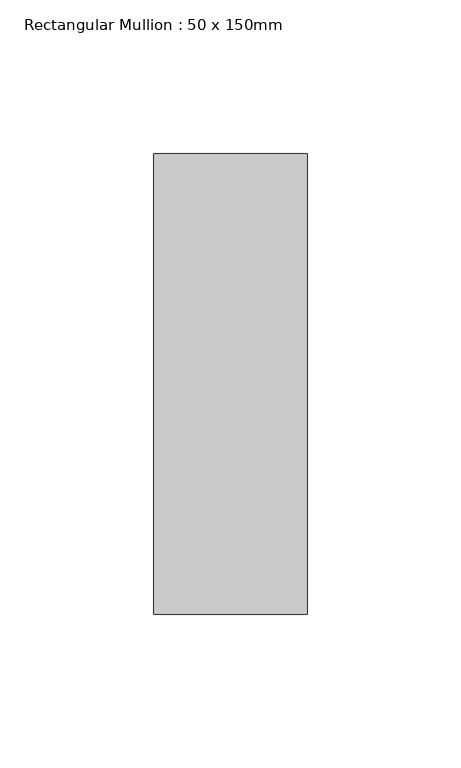
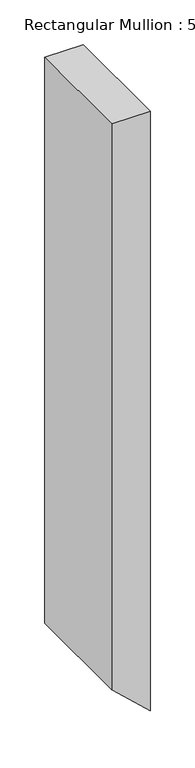
"""IFC4 building model written with IfcOpenShell, lengths in millimetres: member geometry, Rectangular Mullion : 50 x 150mm."""

from ifc_helpers import new_model, si_unit, frame, origin, place, context, project, spatial, polyline, outline, extrude, source, transform, mapped, element, save


def rectangular_mullion_50_x_150mm_fac01315(model_context):
    return source(origin(), model_context, "Body", "SweptSolid", [
        extrude(outline(polyline([(0.0, 0.0), (0.0, -50.0), (-773.7890697, -50.0), (-819.6056284, 0.0), (0.0, 0.0)])), frame((0.0, -75.0, 0.0), z_axis=(0.0, 1.0, 0.0), x_axis=(0.0, 0.0, 1.0)), (0.0, 0.0, 1.0), 150.0),
    ])


if __name__ == "__main__":
    model = new_model("IFC4")
    model_context = context("Model", 3, world=origin())
    ifc_project = project(units=[si_unit("LENGTHUNIT", "METRE", prefix="MILLI")], contexts=[model_context])
    site = spatial("IfcSite", under=ifc_project)
    building = spatial("IfcBuilding", under=site)
    placement = place(None, origin())
    rectangular_mullion_50_x_150mm_shape = rectangular_mullion_50_x_150mm_fac01315(model_context)
    element("IfcMember", 1, ObjectType="Rectangular Mullion : 50 x 150mm", at=placement, inside=building, context=model_context, shape_type="MappedRepresentation", body=[
        mapped(rectangular_mullion_50_x_150mm_shape, transform((0.0, 0.0, 0.0), x_axis=(1.0, 0.0, 0.0), y_axis=(0.0, 1.0, 0.0), z_axis=(0.0, 0.0, 1.0))),
    ])
    save(model, "model.ifc")
